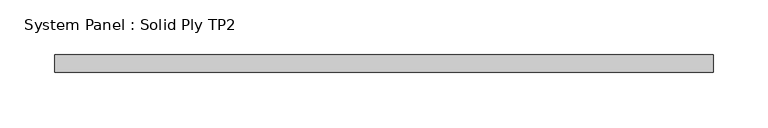
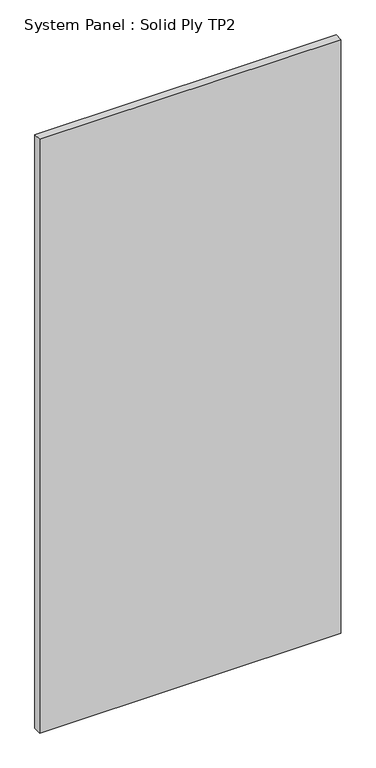
"""IFC4 building model written with IfcOpenShell, lengths in millimetres: plate geometry, System Panel : Solid Ply TP2."""

from ifc_helpers import new_model, si_unit, origin, origin_with_axes, place, context, project, spatial, polyline, outline, extrude, source, transform, mapped, element, save


def system_panel_solid_ply_tp2_d1116494(model_context):
    return source(origin(), model_context, "Body", "SweptSolid", [
        extrude(outline(polyline([(300.0000002, 7.0), (-300.0000002, 7.0), (-300.0000002, 23.0), (300.0000002, 23.0), (300.0000002, 7.0)])), origin_with_axes(), (0.0, 0.0, 1.0), 1250.0),
    ])


if __name__ == "__main__":
    model = new_model("IFC4")
    model_context = context("Model", 3, world=origin())
    ifc_project = project(units=[si_unit("LENGTHUNIT", "METRE", prefix="MILLI")], contexts=[model_context])
    site = spatial("IfcSite", under=ifc_project)
    building = spatial("IfcBuilding", under=site)
    placement = place(None, origin())
    system_panel_solid_ply_tp2_shape = system_panel_solid_ply_tp2_d1116494(model_context)
    element("IfcPlate", 1, ObjectType="System Panel : Solid Ply TP2", at=placement, inside=building, context=model_context, shape_type="MappedRepresentation", body=[
        mapped(system_panel_solid_ply_tp2_shape, transform((0.0, 0.0, 0.0), x_axis=(1.0, 0.0, 0.0), y_axis=(0.0, 1.0, 0.0), z_axis=(0.0, 0.0, 1.0))),
    ])
    save(model, "model.ifc")
